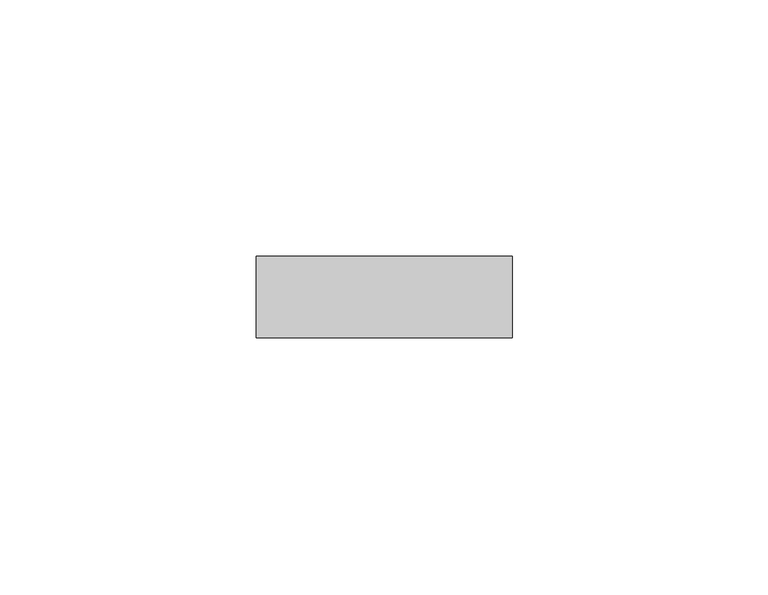
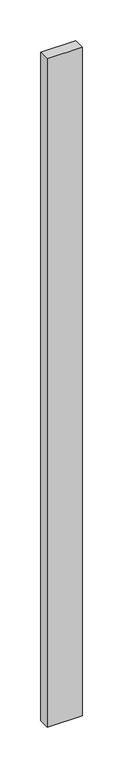
"""IFC4 building model written with IfcOpenShell, lengths in millimetres: proxy geometry."""

import ifcopenshell
import ifcopenshell.guid

model = None  # the IFC model being written
_history = None  # IfcOwnerHistory: only IFC2X3 demands one
_inside = {}  # id of a spatial element -> (the spatial element, [elements in it])
_under = {}  # id of a project, library or spatial element -> (it, [spatial elements below it])
_declared = {}  # id of a project -> (the project, [libraries it declares])
_typed = {}  # id of a type object -> (the type object, [elements of that type])
_made_of = {}  # id of a material, layer set ... -> (it, [elements and type objects made of it])


def new_model(schema):
    """Start an empty IFC model of exactly this schema.

    Asked for "IFC4X3", IfcOpenShell would pick the latest addendum, in which some entities
    have other attributes; the version numbers below select the first issue.
    IFC2X3 requires an IfcOwnerHistory on every rooted entity: one is made here for all.
    """
    global model, _history
    if schema == "IFC4X3":
        model = ifcopenshell.file(schema_version=(4, 3, 0, 0))
    else:
        model = ifcopenshell.file(schema=schema)
    _inside.clear()
    _under.clear()
    _declared.clear()
    _typed.clear()
    _made_of.clear()
    _history = None
    if model.schema == "IFC2X3":
        org = make("IfcOrganization", Name="unknown")
        user = make(
            "IfcPersonAndOrganization",
            ThePerson=make("IfcPerson", FamilyName="unknown"),
            TheOrganization=org,
        )
        app = make(
            "IfcApplication",
            ApplicationDeveloper=org,
            Version="unknown",
            ApplicationFullName="unknown",
            ApplicationIdentifier="unknown",
        )
        _history = make(
            "IfcOwnerHistory",
            OwningUser=user,
            OwningApplication=app,
            ChangeAction="ADDED",
            CreationDate=0,
        )
    return model


def make(cls, **values):
    """One entity of the class cls with the attributes given. An attribute that is None is left unset."""
    return model.create_entity(
        cls, **{name: value for name, value in values.items() if value is not None}
    )


def rooted(cls, **values):
    """An entity with a GlobalId (a new one), such as an element, a storey or a relation."""
    return make(cls, GlobalId=ifcopenshell.guid.new(), OwnerHistory=_history, **values)


def si_unit(unit_type, name, prefix=None):
    """IfcSIUnit, for example si_unit("LENGTHUNIT", "METRE", prefix="MILLI")."""
    return make("IfcSIUnit", UnitType=unit_type, Prefix=prefix, Name=name)


def assignment(units):
    """IfcUnitAssignment: the units of a project."""
    return None if units is None else make("IfcUnitAssignment", Units=units)


def point(xyz):
    """IfcCartesianPoint."""
    return None if xyz is None else make("IfcCartesianPoint", Coordinates=xyz)


def direction(xyz):
    """IfcDirection."""
    return None if xyz is None else make("IfcDirection", DirectionRatios=xyz)


def frame(location, z_axis=None, x_axis=None):
    """IfcAxis2Placement3D, a coordinate frame: its origin and axes. An axis left out is left unset."""
    return make(
        "IfcAxis2Placement3D",
        Location=point(location),
        Axis=direction(z_axis),
        RefDirection=direction(x_axis),
    )


def origin():
    """The frame at (0, 0, 0) with its axes left unset."""
    return frame((0.0, 0.0, 0.0))


def place(relative_to, where):
    """IfcLocalPlacement: puts the frame where relative to a parent placement (None: the world)."""
    return make(
        "IfcLocalPlacement", PlacementRelTo=relative_to, RelativePlacement=where
    )


def context(
    kind, dimensions, precision=None, world=None, true_north=None, identifier=None
):
    """IfcGeometricRepresentationContext, for example the 3D "Model" context."""
    return make(
        "IfcGeometricRepresentationContext",
        ContextIdentifier=identifier,
        ContextType=kind,
        CoordinateSpaceDimension=dimensions,
        Precision=precision,
        WorldCoordinateSystem=world,
        TrueNorth=true_north,
    )


def project(units=None, contexts=None):
    """IfcProject with its units and contexts."""
    return rooted(
        "IfcProject",
        Name="project",
        RepresentationContexts=contexts,
        UnitsInContext=assignment(units),
    )


def spatial(cls, under=None, at=None, **own):
    """A site, building, storey or space (cls), placed at a placement, below another one or the project."""
    s = rooted(cls, ObjectPlacement=at, **own)
    if under is not None:
        _under.setdefault(under.id(), (under, []))[1].append(s)
    return s


def polyline(points):
    """IfcPolyline through the points."""
    return make("IfcPolyline", Points=[point(p) for p in points])


def outline(outer, holes=None, kind="AREA"):
    """IfcArbitraryClosedProfileDef: a profile drawn as a closed curve; with holes, ...WithVoids."""
    if holes is None:
        return make("IfcArbitraryClosedProfileDef", ProfileType=kind, OuterCurve=outer)
    return make(
        "IfcArbitraryProfileDefWithVoids",
        ProfileType=kind,
        OuterCurve=outer,
        InnerCurves=holes,
    )


def extrude(swept, where, along, depth):
    """IfcExtrudedAreaSolid: the profile swept, set in the frame where, extruded along a direction by depth."""
    return make(
        "IfcExtrudedAreaSolid",
        SweptArea=swept,
        Position=where,
        ExtrudedDirection=direction(along),
        Depth=depth,
    )


def shape(context_of_items, identifier, shape_type, items):
    """IfcShapeRepresentation: the items that make up one representation, for example the "Body"."""
    return make(
        "IfcShapeRepresentation",
        ContextOfItems=context_of_items,
        RepresentationIdentifier=identifier,
        RepresentationType=shape_type,
        Items=items,
    )


def source(mapping_origin, context_of_items, identifier, shape_type, items):
    """IfcRepresentationMap: a shape defined once, which mapped items show again and again."""
    return make(
        "IfcRepresentationMap",
        MappingOrigin=mapping_origin,
        MappedRepresentation=shape(context_of_items, identifier, shape_type, items),
    )


def transform(
    local_origin,
    x_axis=None,
    y_axis=None,
    z_axis=None,
    scale=None,
    scale2=None,
    scale3=None,
    uniform=True,
):
    """IfcCartesianTransformationOperator3D, or its non-uniform kind. x_axis, y_axis, z_axis: its Axis1, 2, 3."""
    if uniform:
        return make(
            "IfcCartesianTransformationOperator3D",
            Axis1=direction(x_axis),
            Axis2=direction(y_axis),
            LocalOrigin=point(local_origin),
            Scale=scale,
            Axis3=direction(z_axis),
        )
    return make(
        "IfcCartesianTransformationOperator3DnonUniform",
        Axis1=direction(x_axis),
        Axis2=direction(y_axis),
        LocalOrigin=point(local_origin),
        Scale=scale,
        Axis3=direction(z_axis),
        Scale2=scale2,
        Scale3=scale3,
    )


def mapped(mapping_source, mapping_target):
    """IfcMappedItem: shows the shape of a source again, moved by a transform."""
    return make(
        "IfcMappedItem", MappingSource=mapping_source, MappingTarget=mapping_target
    )


def made_of(thing, what):
    """Note that an element or type object is made of a material, layer set ...; save() writes the relation."""
    if what is not None:
        _made_of.setdefault(what.id(), (what, []))[1].append(thing)
    return thing


def element(
    cls,
    number,
    at=None,
    inside=None,
    cuts=None,
    type_object=None,
    material=None,
    context=None,
    identifier="Body",
    shape_type=None,
    held_by="IfcProductDefinitionShape",
    body=None,
    shapes=None,
    **own,
):
    """One element of the class cls, such as IfcWall. Its Tag is "e" and its number.

    at: its placement. inside: the storey or other place that contains it. cuts: it is an
    opening in that element (IfcRelVoidsElement). A single representation is given by context,
    identifier, shape_type and body (its items); several are given by shapes. held_by: the class
    of the entity that holds the representations. save() writes the other relations.
    """
    e = rooted(cls, Tag="e%d" % number, ObjectPlacement=at, **own)
    if body is not None:
        shapes = [shape(context, identifier, shape_type, body)]
    if shapes is not None:
        e.Representation = make(held_by, Representations=shapes)
    if inside is not None:
        _inside.setdefault(inside.id(), (inside, []))[1].append(e)
    if cuts is not None:
        rooted(
            "IfcRelVoidsElement", RelatingBuildingElement=cuts, RelatedOpeningElement=e
        )
    if type_object is not None:
        _typed.setdefault(type_object.id(), (type_object, []))[1].append(e)
    return made_of(e, material)


def aggregate(whole, parts):
    """IfcRelAggregates: a whole, such as a stair, and the parts it consists of."""
    return rooted("IfcRelAggregates", RelatingObject=whole, RelatedObjects=parts)


def save(model, path):
    """Write the relations noted so far, then the file.

    IfcRelAggregates (storeys below a building ...), IfcRelContainedInSpatialStructure (elements
    in a storey), IfcRelDefinesByType, IfcRelAssociatesMaterial and IfcRelDeclares: one each for
    every whole, place, type object, material and project.
    """
    for whole, parts in _under.values():
        aggregate(whole, parts)
    for where, things in _inside.values():
        rooted(
            "IfcRelContainedInSpatialStructure",
            RelatedElements=things,
            RelatingStructure=where,
        )
    for kind, things in _typed.values():
        rooted("IfcRelDefinesByType", RelatedObjects=things, RelatingType=kind)
    for what, things in _made_of.values():
        rooted("IfcRelAssociatesMaterial", RelatedObjects=things, RelatingMaterial=what)
    for by, libraries in _declared.values():
        rooted("IfcRelDeclares", RelatingContext=by, RelatedDefinitions=libraries)
    model.write(path)


def generic_models_6534f245(model_context):
    return source(origin(), model_context, "Body", "SweptSolid", [
        extrude(outline(polyline([(55.5018515, -62.4360182), (5.5018515, -62.4360182), (5.5018515, -46.4360182), (55.5018515, -46.4360182), (55.5018515, -62.4360182)])), frame((0.0, 0.0, 1747.5379398), z_axis=(0.0, 0.0, 1.0), x_axis=(1.0, 0.0, 0.0)), (0.0, 0.0, 1.0), 1004.9241204),
    ])


if __name__ == "__main__":
    model = new_model("IFC4")
    model_context = context("Model", 3, world=origin())
    ifc_project = project(units=[si_unit("LENGTHUNIT", "METRE", prefix="MILLI")], contexts=[model_context])
    site = spatial("IfcSite", under=ifc_project)
    building = spatial("IfcBuilding", under=site)
    placement = place(None, origin())
    generic_models_shape = generic_models_6534f245(model_context)
    element("IfcBuildingElementProxy", 1, Name="Generic Models", at=placement, inside=building, context=model_context, shape_type="MappedRepresentation", body=[
        mapped(generic_models_shape, transform((0.0, 0.0, 0.0), x_axis=(1.0, 0.0, 0.0), y_axis=(0.0, 1.0, 0.0), z_axis=(0.0, 0.0, 1.0))),
    ])
    save(model, "model.ifc")
